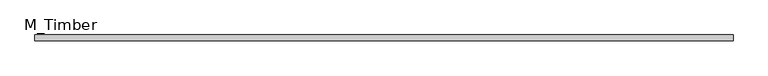
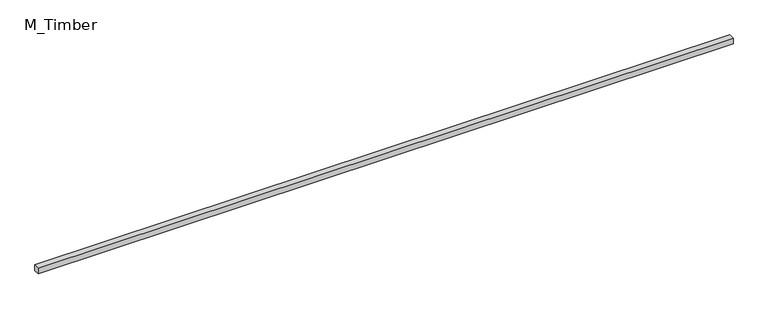
"""IFC4 building model written with IfcOpenShell, lengths in millimetres: beam geometry, M_Timber."""

from ifc_helpers import new_model, si_unit, frame, origin, place, context, project, spatial, polyline, outline, extrude, source, transform, mapped, element, save


def m_timber_4f2f7e69(model_context):
    return source(origin(), model_context, "Body", "SweptSolid", [
        extrude(outline(polyline([(2380.9792188, 20.0), (2380.9792188, -20.0), (-2380.9792188, -20.0), (-2380.9792188, 20.0), (2380.9792188, 20.0)])), frame((0.0, 0.0, -20.0), z_axis=(0.0, 0.0, 1.0), x_axis=(1.0, 0.0, 0.0)), (0.0, 0.0, 1.0), 40.0),
    ])


if __name__ == "__main__":
    model = new_model("IFC4")
    model_context = context("Model", 3, world=origin())
    ifc_project = project(units=[si_unit("LENGTHUNIT", "METRE", prefix="MILLI")], contexts=[model_context])
    site = spatial("IfcSite", under=ifc_project)
    building = spatial("IfcBuilding", under=site)
    placement = place(None, origin())
    m_timber_shape = m_timber_4f2f7e69(model_context)
    element("IfcBeam", 1, ObjectType="M_Timber", at=placement, inside=building, context=model_context, shape_type="MappedRepresentation", body=[
        mapped(m_timber_shape, transform((0.0, 0.0, 0.0), x_axis=(1.0, 0.0, 0.0), y_axis=(0.0, 1.0, 0.0), z_axis=(0.0, 0.0, 1.0))),
    ])
    save(model, "model.ifc")
